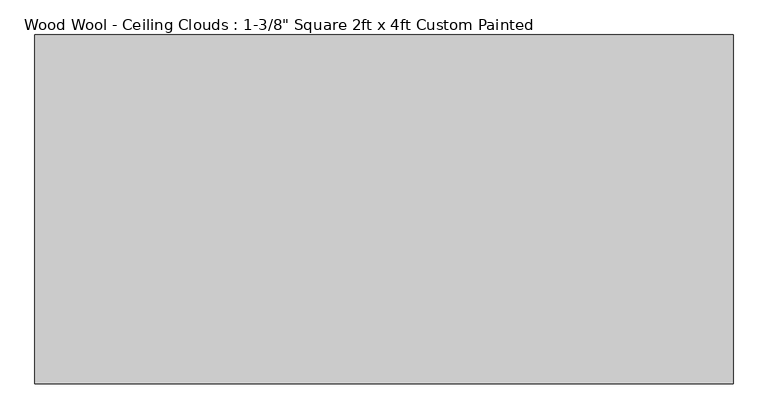
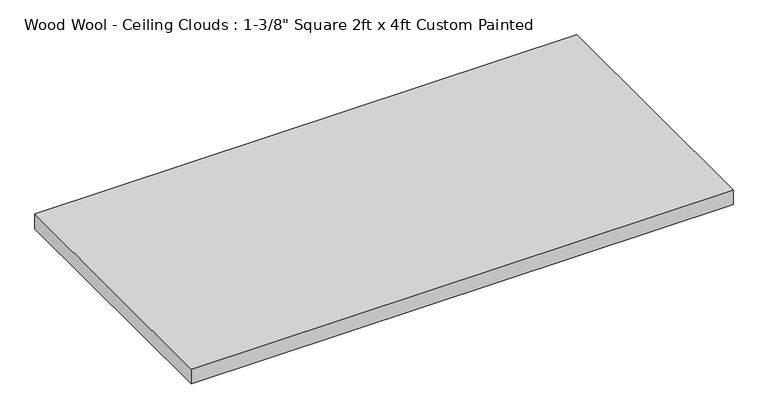
"""IFC4 building model written with IfcOpenShell, lengths in millimetres: proxy geometry."""

import ifcopenshell
import ifcopenshell.guid

model = None  # the IFC model being written
_history = None  # IfcOwnerHistory: only IFC2X3 demands one
_inside = {}  # id of a spatial element -> (the spatial element, [elements in it])
_under = {}  # id of a project, library or spatial element -> (it, [spatial elements below it])
_declared = {}  # id of a project -> (the project, [libraries it declares])
_typed = {}  # id of a type object -> (the type object, [elements of that type])
_made_of = {}  # id of a material, layer set ... -> (it, [elements and type objects made of it])


def new_model(schema):
    """Start an empty IFC model of exactly this schema.

    Asked for "IFC4X3", IfcOpenShell would pick the latest addendum, in which some entities
    have other attributes; the version numbers below select the first issue.
    IFC2X3 requires an IfcOwnerHistory on every rooted entity: one is made here for all.
    """
    global model, _history
    if schema == "IFC4X3":
        model = ifcopenshell.file(schema_version=(4, 3, 0, 0))
    else:
        model = ifcopenshell.file(schema=schema)
    _inside.clear()
    _under.clear()
    _declared.clear()
    _typed.clear()
    _made_of.clear()
    _history = None
    if model.schema == "IFC2X3":
        org = make("IfcOrganization", Name="unknown")
        user = make(
            "IfcPersonAndOrganization",
            ThePerson=make("IfcPerson", FamilyName="unknown"),
            TheOrganization=org,
        )
        app = make(
            "IfcApplication",
            ApplicationDeveloper=org,
            Version="unknown",
            ApplicationFullName="unknown",
            ApplicationIdentifier="unknown",
        )
        _history = make(
            "IfcOwnerHistory",
            OwningUser=user,
            OwningApplication=app,
            ChangeAction="ADDED",
            CreationDate=0,
        )
    return model


def make(cls, **values):
    """One entity of the class cls with the attributes given. An attribute that is None is left unset."""
    return model.create_entity(
        cls, **{name: value for name, value in values.items() if value is not None}
    )


def rooted(cls, **values):
    """An entity with a GlobalId (a new one), such as an element, a storey or a relation."""
    return make(cls, GlobalId=ifcopenshell.guid.new(), OwnerHistory=_history, **values)


def si_unit(unit_type, name, prefix=None):
    """IfcSIUnit, for example si_unit("LENGTHUNIT", "METRE", prefix="MILLI")."""
    return make("IfcSIUnit", UnitType=unit_type, Prefix=prefix, Name=name)


def assignment(units):
    """IfcUnitAssignment: the units of a project."""
    return None if units is None else make("IfcUnitAssignment", Units=units)


def point(xyz):
    """IfcCartesianPoint."""
    return None if xyz is None else make("IfcCartesianPoint", Coordinates=xyz)


def direction(xyz):
    """IfcDirection."""
    return None if xyz is None else make("IfcDirection", DirectionRatios=xyz)


def frame(location, z_axis=None, x_axis=None):
    """IfcAxis2Placement3D, a coordinate frame: its origin and axes. An axis left out is left unset."""
    return make(
        "IfcAxis2Placement3D",
        Location=point(location),
        Axis=direction(z_axis),
        RefDirection=direction(x_axis),
    )


def origin():
    """The frame at (0, 0, 0) with its axes left unset."""
    return frame((0.0, 0.0, 0.0))


def place(relative_to, where):
    """IfcLocalPlacement: puts the frame where relative to a parent placement (None: the world)."""
    return make(
        "IfcLocalPlacement", PlacementRelTo=relative_to, RelativePlacement=where
    )


def context(
    kind, dimensions, precision=None, world=None, true_north=None, identifier=None
):
    """IfcGeometricRepresentationContext, for example the 3D "Model" context."""
    return make(
        "IfcGeometricRepresentationContext",
        ContextIdentifier=identifier,
        ContextType=kind,
        CoordinateSpaceDimension=dimensions,
        Precision=precision,
        WorldCoordinateSystem=world,
        TrueNorth=true_north,
    )


def project(units=None, contexts=None):
    """IfcProject with its units and contexts."""
    return rooted(
        "IfcProject",
        Name="project",
        RepresentationContexts=contexts,
        UnitsInContext=assignment(units),
    )


def spatial(cls, under=None, at=None, **own):
    """A site, building, storey or space (cls), placed at a placement, below another one or the project."""
    s = rooted(cls, ObjectPlacement=at, **own)
    if under is not None:
        _under.setdefault(under.id(), (under, []))[1].append(s)
    return s


def polyline(points):
    """IfcPolyline through the points."""
    return make("IfcPolyline", Points=[point(p) for p in points])


def outline(outer, holes=None, kind="AREA"):
    """IfcArbitraryClosedProfileDef: a profile drawn as a closed curve; with holes, ...WithVoids."""
    if holes is None:
        return make("IfcArbitraryClosedProfileDef", ProfileType=kind, OuterCurve=outer)
    return make(
        "IfcArbitraryProfileDefWithVoids",
        ProfileType=kind,
        OuterCurve=outer,
        InnerCurves=holes,
    )


def extrude(swept, where, along, depth):
    """IfcExtrudedAreaSolid: the profile swept, set in the frame where, extruded along a direction by depth."""
    return make(
        "IfcExtrudedAreaSolid",
        SweptArea=swept,
        Position=where,
        ExtrudedDirection=direction(along),
        Depth=depth,
    )


def shape(context_of_items, identifier, shape_type, items):
    """IfcShapeRepresentation: the items that make up one representation, for example the "Body"."""
    return make(
        "IfcShapeRepresentation",
        ContextOfItems=context_of_items,
        RepresentationIdentifier=identifier,
        RepresentationType=shape_type,
        Items=items,
    )


def source(mapping_origin, context_of_items, identifier, shape_type, items):
    """IfcRepresentationMap: a shape defined once, which mapped items show again and again."""
    return make(
        "IfcRepresentationMap",
        MappingOrigin=mapping_origin,
        MappedRepresentation=shape(context_of_items, identifier, shape_type, items),
    )


def transform(
    local_origin,
    x_axis=None,
    y_axis=None,
    z_axis=None,
    scale=None,
    scale2=None,
    scale3=None,
    uniform=True,
):
    """IfcCartesianTransformationOperator3D, or its non-uniform kind. x_axis, y_axis, z_axis: its Axis1, 2, 3."""
    if uniform:
        return make(
            "IfcCartesianTransformationOperator3D",
            Axis1=direction(x_axis),
            Axis2=direction(y_axis),
            LocalOrigin=point(local_origin),
            Scale=scale,
            Axis3=direction(z_axis),
        )
    return make(
        "IfcCartesianTransformationOperator3DnonUniform",
        Axis1=direction(x_axis),
        Axis2=direction(y_axis),
        LocalOrigin=point(local_origin),
        Scale=scale,
        Axis3=direction(z_axis),
        Scale2=scale2,
        Scale3=scale3,
    )


def mapped(mapping_source, mapping_target):
    """IfcMappedItem: shows the shape of a source again, moved by a transform."""
    return make(
        "IfcMappedItem", MappingSource=mapping_source, MappingTarget=mapping_target
    )


def made_of(thing, what):
    """Note that an element or type object is made of a material, layer set ...; save() writes the relation."""
    if what is not None:
        _made_of.setdefault(what.id(), (what, []))[1].append(thing)
    return thing


def element(
    cls,
    number,
    at=None,
    inside=None,
    cuts=None,
    type_object=None,
    material=None,
    context=None,
    identifier="Body",
    shape_type=None,
    held_by="IfcProductDefinitionShape",
    body=None,
    shapes=None,
    **own,
):
    """One element of the class cls, such as IfcWall. Its Tag is "e" and its number.

    at: its placement. inside: the storey or other place that contains it. cuts: it is an
    opening in that element (IfcRelVoidsElement). A single representation is given by context,
    identifier, shape_type and body (its items); several are given by shapes. held_by: the class
    of the entity that holds the representations. save() writes the other relations.
    """
    e = rooted(cls, Tag="e%d" % number, ObjectPlacement=at, **own)
    if body is not None:
        shapes = [shape(context, identifier, shape_type, body)]
    if shapes is not None:
        e.Representation = make(held_by, Representations=shapes)
    if inside is not None:
        _inside.setdefault(inside.id(), (inside, []))[1].append(e)
    if cuts is not None:
        rooted(
            "IfcRelVoidsElement", RelatingBuildingElement=cuts, RelatedOpeningElement=e
        )
    if type_object is not None:
        _typed.setdefault(type_object.id(), (type_object, []))[1].append(e)
    return made_of(e, material)


def aggregate(whole, parts):
    """IfcRelAggregates: a whole, such as a stair, and the parts it consists of."""
    return rooted("IfcRelAggregates", RelatingObject=whole, RelatedObjects=parts)


def save(model, path):
    """Write the relations noted so far, then the file.

    IfcRelAggregates (storeys below a building ...), IfcRelContainedInSpatialStructure (elements
    in a storey), IfcRelDefinesByType, IfcRelAssociatesMaterial and IfcRelDeclares: one each for
    every whole, place, type object, material and project.
    """
    for whole, parts in _under.values():
        aggregate(whole, parts)
    for where, things in _inside.values():
        rooted(
            "IfcRelContainedInSpatialStructure",
            RelatedElements=things,
            RelatingStructure=where,
        )
    for kind, things in _typed.values():
        rooted("IfcRelDefinesByType", RelatedObjects=things, RelatingType=kind)
    for what, things in _made_of.values():
        rooted("IfcRelAssociatesMaterial", RelatedObjects=things, RelatingMaterial=what)
    for by, libraries in _declared.values():
        rooted("IfcRelDeclares", RelatingContext=by, RelatedDefinitions=libraries)
    model.write(path)


def proxy_47392790(model_context):
    return source(origin(), model_context, "Body", "SweptSolid", [
        extrude(outline(polyline([(-609.6, -304.8), (-609.6, 304.8), (609.6, 304.8), (609.6, -304.8), (-609.6, -304.8)])), frame((0.0, 0.0, -34.925), z_axis=(0.0, 0.0, 1.0), x_axis=(1.0, 0.0, 0.0)), (0.0, 0.0, 1.0), 34.925),
    ])


if __name__ == "__main__":
    model = new_model("IFC4")
    model_context = context("Model", 3, world=origin())
    ifc_project = project(units=[si_unit("LENGTHUNIT", "METRE", prefix="MILLI")], contexts=[model_context])
    site = spatial("IfcSite", under=ifc_project)
    building = spatial("IfcBuilding", under=site)
    placement = place(None, origin())
    proxy_shape = proxy_47392790(model_context)
    element("IfcBuildingElementProxy", 1, Name="Wood Wool - Ceiling Clouds : 1-3/8\" Square 2ft x 4ft Custom Painted", ObjectType="Wood Wool - Ceiling Clouds : 1-3/8\" Square 2ft x 4ft Custom Painted", at=placement, inside=building, context=model_context, shape_type="MappedRepresentation", body=[
        mapped(proxy_shape, transform((0.0, 0.0, 0.0), x_axis=(1.0, 0.0, 0.0), y_axis=(0.0, 1.0, 0.0), z_axis=(0.0, 0.0, 1.0))),
    ])
    save(model, "model.ifc")
